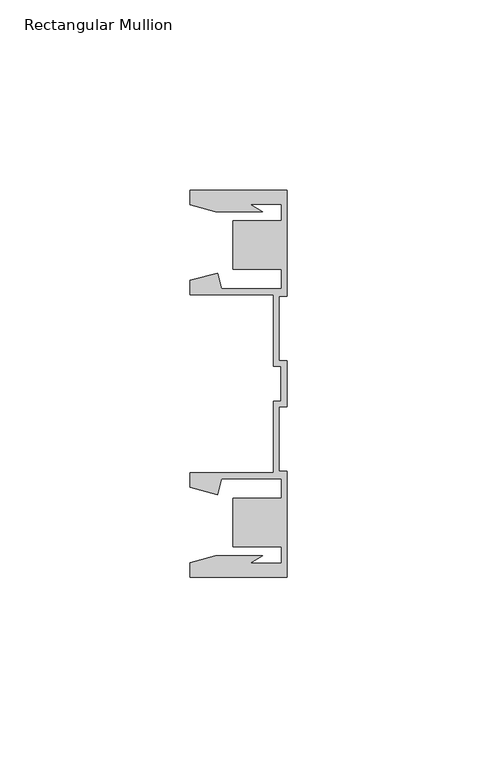
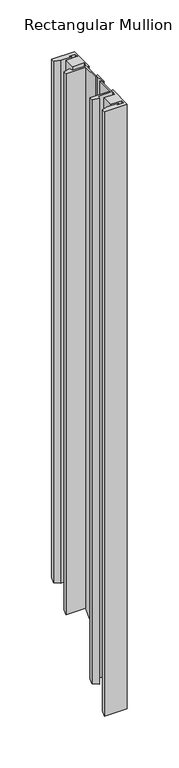
"""IFC4 building model written with IfcOpenShell, lengths in millimetres: member geometry, Rectangular Mullion."""

from ifc_helpers import new_model, si_unit, origin, place, context, project, spatial, faceted_brep, source, transform, mapped, element, save


def rectangular_mullion_49db788f(model_context):
    return source(origin(), model_context, "Body", "Brep", [
        faceted_brep([(-25.4, 50.7954622, 0.0), (-25.4, 46.9998463, 0.0), (-18.7113002, 45.2076146, 0.0), (-6.3834869, 45.2076146, 0.0), (-9.7005662, 47.1227313, 0.0), (-1.4138425, 47.1227313, 0.0), (-1.4138425, 42.8128906, 0.0), (-14.1138425, 42.8128906, 0.0), (-14.1138425, 30.1128906, 0.0), (-1.4138425, 30.1128906, 0.0), (-1.4138425, 25.0120132, 0.0), (-17.1094033, 25.0120132, 0.0), (-18.2017212, 29.0885993, 0.0), (-25.4, 27.1598263, 0.0), (-25.4, 23.3610583, 0.0), (-3.555903, 23.3610583, 0.0), (-3.555903, 4.5718753, 0.0), (-1.5239584, 4.5718753, 0.0), (-1.5239584, -4.5718753, 0.0), (-3.555903, -4.5718753, 0.0), (-3.555903, -23.3610583, 0.0), (-25.4, -23.3610583, 0.0), (-25.4, -27.1598263, 0.0), (-18.2017212, -29.0885993, 0.0), (-17.1094033, -25.0120132, 0.0), (-1.4138425, -25.0120132, 0.0), (-1.4138425, -30.1128906, 0.0), (-14.1138425, -30.1128906, 0.0), (-14.1138425, -42.8128906, 0.0), (-1.4138425, -42.8128906, 0.0), (-1.4138425, -47.1227313, 0.0), (-9.7005662, -47.1227313, 0.0), (-6.3834869, -45.2076146, 0.0), (-18.7113002, -45.2076146, 0.0), (-25.4, -46.9998463, 0.0), (-25.4, -50.7954622, 0.0), (0.0, -50.7954622, 0.0), (0.0, -22.9938072, 0.0), (-2.0000011, -22.9938072, 0.0), (-2.0000011, -6.0000032, 0.0), (0.0, -6.0000032, 0.0), (0.0, 6.0000032, 0.0), (-2.0000011, 6.0000032, 0.0), (-2.0000011, 22.9938072, 0.0), (0.0, 22.9938072, 0.0), (0.0, 50.7954622, 0.0), (-25.4, 50.7954622, -609.2045378), (-25.4, 46.9998463, -613.0001537), (-18.7113002, 45.2076146, -614.7923854), (-6.3834869, 45.2076146, -614.7923854), (-9.7005662, 47.1227313, -612.8772687), (-1.4138425, 47.1227313, -612.8772687), (-1.4138425, 42.8128906, -617.1871094), (-14.1138425, 42.8128906, -617.1871094), (-14.1138425, 30.1128906, -629.8871094), (-1.4138425, 30.1128906, -629.8871094), (-1.4138425, 25.0120132, -634.9879868), (-17.1094033, 25.0120132, -634.9879868), (-18.2017212, 29.0885993, -630.9114007), (-25.4, 27.1598263, -632.8401737), (-25.4, 23.3610583, -636.6389417), (-3.555903, 23.3610583, -636.6389417), (-3.555903, 4.5718753, -655.4281247), (-1.5239584, 4.5718753, -655.4281247), (-1.5239584, -4.5718753, -664.5718753), (-3.555903, -4.5718753, -664.5718753), (-3.555903, -23.3610583, -683.3610583), (-25.4, -23.3610583, -683.3610583), (-25.4, -27.1598263, -687.1598263), (-18.2017212, -29.0885993, -689.0885993), (-17.1094033, -25.0120132, -685.0120132), (-1.4138425, -25.0120132, -685.0120132), (-1.4138425, -30.1128906, -690.1128906), (-14.1138425, -30.1128906, -690.1128906), (-14.1138425, -42.8128906, -702.8128906), (-1.4138425, -42.8128906, -702.8128906), (-1.4138425, -47.1227313, -707.1227313), (-9.7005662, -47.1227313, -707.1227313), (-6.3834869, -45.2076146, -705.2076146), (-18.7113002, -45.2076146, -705.2076146), (-25.4, -46.9998463, -706.9998463), (-25.4, -50.7954622, -710.7954622), (0.0, -50.7954622, -710.7954622), (0.0, -22.9938072, -682.9938072), (-2.0000011, -22.9938072, -682.9938072), (-2.0000011, -6.0000032, -666.0000032), (0.0, -6.0000032, -666.0000032), (0.0, 6.0000032, -653.9999968), (-2.0000011, 6.0000032, -653.9999968), (-2.0000011, 22.9938072, -637.0061928), (0.0, 22.9938072, -637.0061928), (0.0, 50.7954622, -609.2045378)], [[[0, 1, 2, 3, 4, 5, 6, 7, 8, 9, 10, 11, 12, 13, 14, 15, 16, 17, 18, 19, 20, 21, 22, 23, 24, 25, 26, 27, 28, 29, 30, 31, 32, 33, 34, 35, 36, 37, 38, 39, 40, 41, 42, 43, 44, 45]], [[1, 0, 46, 47]], [[2, 1, 47, 48]], [[3, 2, 48, 49]], [[4, 3, 49, 50]], [[5, 4, 50, 51]], [[6, 5, 51, 52]], [[7, 6, 52, 53]], [[8, 7, 53, 54]], [[9, 8, 54, 55]], [[10, 9, 55, 56]], [[11, 10, 56, 57]], [[12, 11, 57, 58]], [[13, 12, 58, 59]], [[14, 13, 59, 60]], [[15, 14, 60, 61]], [[16, 15, 61, 62]], [[17, 16, 62, 63]], [[18, 17, 63, 64]], [[19, 18, 64, 65]], [[20, 19, 65, 66]], [[21, 20, 66, 67]], [[22, 21, 67, 68]], [[23, 22, 68, 69]], [[24, 23, 69, 70]], [[25, 24, 70, 71]], [[26, 25, 71, 72]], [[27, 26, 72, 73]], [[28, 27, 73, 74]], [[29, 28, 74, 75]], [[30, 29, 75, 76]], [[31, 30, 76, 77]], [[32, 31, 77, 78]], [[33, 32, 78, 79]], [[34, 33, 79, 80]], [[35, 34, 80, 81]], [[36, 35, 81, 82]], [[37, 36, 82, 83]], [[38, 37, 83, 84]], [[39, 38, 84, 85]], [[40, 39, 85, 86]], [[41, 40, 86, 87]], [[42, 41, 87, 88]], [[43, 42, 88, 89]], [[44, 43, 89, 90]], [[45, 44, 90, 91]], [[0, 45, 91, 46]], [[46, 91, 90, 89, 88, 87, 86, 85, 84, 83, 82, 81, 80, 79, 78, 77, 76, 75, 74, 73, 72, 71, 70, 69, 68, 67, 66, 65, 64, 63, 62, 61, 60, 59, 58, 57, 56, 55, 54, 53, 52, 51, 50, 49, 48, 47]]]),
    ])


if __name__ == "__main__":
    model = new_model("IFC4")
    model_context = context("Model", 3, world=origin())
    ifc_project = project(units=[si_unit("LENGTHUNIT", "METRE", prefix="MILLI")], contexts=[model_context])
    site = spatial("IfcSite", under=ifc_project)
    building = spatial("IfcBuilding", under=site)
    placement = place(None, origin())
    rectangular_mullion_shape = rectangular_mullion_49db788f(model_context)
    element("IfcMember", 1, ObjectType="Rectangular Mullion", at=placement, inside=building, context=model_context, shape_type="MappedRepresentation", body=[
        mapped(rectangular_mullion_shape, transform((0.0, 0.0, 0.0), x_axis=(1.0, 0.0, 0.0), y_axis=(0.0, 1.0, 0.0), z_axis=(0.0, 0.0, 1.0))),
    ])
    save(model, "model.ifc")
